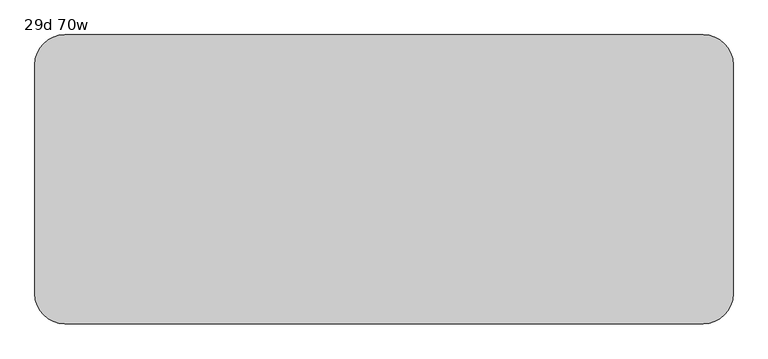
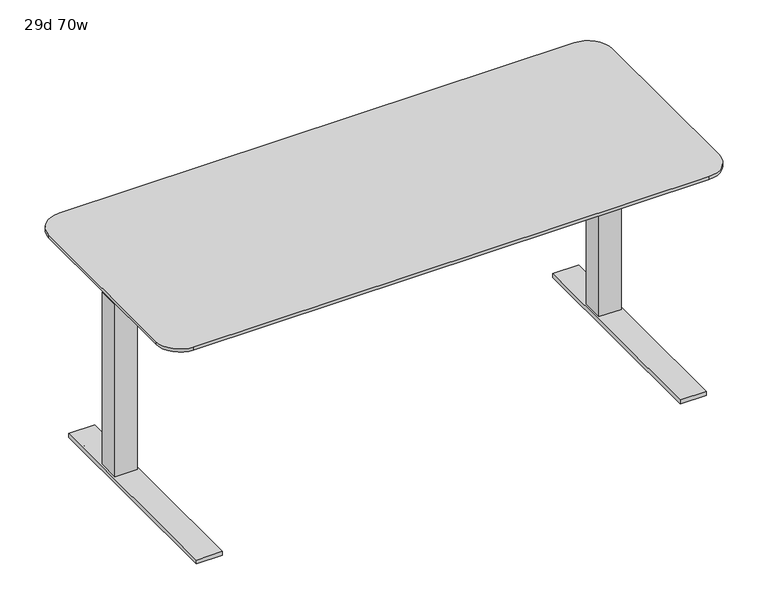
"""IFC4 building model written with IfcOpenShell, lengths in millimetres: furniture geometry, 29d 70w."""

from ifc_helpers import new_model, si_unit, point, frame, frame_2d, origin, origin_with_axes, place, context, project, spatial, polyline, circle_curve, trimmed, segment, composite_curve, outline, extrude, faceted_brep, source, transform, mapped, element, save
from ifc_brep_helpers import plane_surface, cylinder_surface, revolved_surface, advanced_brep


def furniture_29d_70w_a70380cd(model_context):
    return source(origin(), model_context, "Body", "SolidModel", [
        advanced_brep(
        [(-368.3, -529.9534766, 736.6), (1257.3, -529.9534766, 736.6), (1333.5, -453.7534766, 736.6), (1333.5, 130.4465234, 736.6), (1257.3, 206.6465234, 736.6), (-368.3, 206.6465234, 736.6), (-444.5, 130.4465234, 736.6), (-444.5, -453.7534766, 736.6), (1257.3, -479.1534766, 706.4375), (-368.3, -479.1534766, 706.4375), (-393.7, -453.7534766, 706.4375), (-393.7, 130.4465234, 706.4375), (-368.3, 155.8465234, 706.4375), (1257.3, 155.8465234, 706.4375), (1282.7, 130.4465234, 706.4375), (1282.7, -453.7534766, 706.4375), (-368.3, -529.9534766, 727.075), (1257.3, -529.9534766, 727.075), (1333.5, -453.7534766, 727.075), (1333.5, 130.4465234, 727.075), (1257.3, 206.6465234, 727.075), (-368.3, 206.6465234, 727.075), (-444.5, 130.4465234, 727.075), (-444.5, -453.7534766, 727.075)],
        [
            (0, 1),
            (1, 2, circle_curve(frame((1257.3, -453.7534766, 736.6), z_axis=(0.0, 0.0, 1.0), x_axis=(1.0, 0.0, 0.0)), 76.2)),
            (2, 3),
            (3, 4, circle_curve(frame((1257.3, 130.4465234, 736.6), z_axis=(0.0, 0.0, 1.0), x_axis=(1.0, 0.0, 0.0)), 76.2)),
            (4, 5),
            (5, 6, circle_curve(frame((-368.3, 130.4465234, 736.6), z_axis=(0.0, 0.0, 1.0), x_axis=(1.0, 0.0, 0.0)), 76.2)),
            (6, 7),
            (7, 0, circle_curve(frame((-368.3, -453.7534766, 736.6), z_axis=(0.0, 0.0, 1.0), x_axis=(1.0, 0.0, 0.0)), 76.2)),
            (8, 9),
            (9, 10, circle_curve(frame((-368.3, -453.7534766, 706.4375), z_axis=(0.0, 0.0, -1.0), x_axis=(-1.0, 0.0, 0.0)), 25.4)),
            (10, 11),
            (11, 12, circle_curve(frame((-368.3, 130.4465234, 706.4375), z_axis=(0.0, 0.0, -1.0), x_axis=(0.0, 1.0, 0.0)), 25.4)),
            (12, 13),
            (13, 14, circle_curve(frame((1257.3, 130.4465234, 706.4375), z_axis=(0.0, 0.0, -1.0), x_axis=(1.0, 0.0, 0.0)), 25.4)),
            (14, 15),
            (15, 8, circle_curve(frame((1257.3, -453.7534766, 706.4375), z_axis=(0.0, 0.0, -1.0), x_axis=(0.0, -1.0, 0.0)), 25.4)),
            (0, 16),
            (16, 17),
            (17, 1),
            (2, 18),
            (18, 19),
            (19, 3),
            (17, 18, circle_curve(frame((1257.3, -453.7534766, 727.075), z_axis=(0.0, 0.0, 1.0), x_axis=(1.0, 0.0, 0.0)), 76.2)),
            (4, 20),
            (20, 21),
            (21, 5),
            (8, 17),
            (16, 9),
            (15, 18),
            (14, 19),
            (13, 20),
            (20, 19, circle_curve(frame((1257.3, 130.4465234, 727.075), z_axis=(0.0, 0.0, -1.0), x_axis=(1.0, 0.0, 0.0)), 76.2)),
            (12, 21),
            (6, 22),
            (22, 23),
            (23, 7),
            (21, 22, circle_curve(frame((-368.3, 130.4465234, 727.075), z_axis=(0.0, 0.0, 1.0), x_axis=(1.0, 0.0, 0.0)), 76.2)),
            (23, 16, circle_curve(frame((-368.3, -453.7534766, 727.075), z_axis=(0.0, 0.0, 1.0), x_axis=(1.0, 0.0, 0.0)), 76.2)),
            (11, 22),
            (10, 23),
        ],
        [
            plane_surface(frame((1257.3, -529.9534766, 736.6), z_axis=(0.0, 0.0, 1.0), x_axis=(1.0, 0.0, 0.0))),
            plane_surface(frame((1257.3, -529.9534766, 706.4375), z_axis=(0.0, 0.0, -1.0), x_axis=(-1.0, 0.0, 0.0))),
            plane_surface(frame((-368.3, -529.9534766, 736.6), z_axis=(0.0, -1.0, 0.0), x_axis=(0.0, 0.0, -1.0))),
            plane_surface(frame((1333.5, -453.7534766, 736.6), z_axis=(1.0, 0.0, 0.0), x_axis=(0.0, 0.0, -1.0))),
            cylinder_surface(frame((1257.3, -453.7534766, 706.4375), z_axis=(0.0, 0.0, 1.0), x_axis=(1.0, 0.0, 0.0)), 76.2),
            plane_surface(frame((1257.3, 206.6465234, 736.6), z_axis=(0.0, 1.0, 0.0), x_axis=(0.0, 0.0, -1.0))),
            plane_surface(frame((-368.3, -529.9534766, 727.075), z_axis=(0.0, -0.3763770469570871, -0.9264665771218423), x_axis=(1.0, 0.0, 0.0))),
            revolved_surface(polyline([(1257.3, -479.1534766, 706.4375), (1257.3, -529.9534766, 727.075)]), (1257.3, -453.7534766, 706.4375), (0.0, 0.0, 1.0)),
            plane_surface(frame((1333.5, -453.7534766, 727.075), z_axis=(0.3763770469570871, 0.0, -0.9264665771218423), x_axis=(0.0, 1.0, 0.0))),
            revolved_surface(polyline([(1282.7, 130.4465234, 706.4375), (1333.5, 130.4465234, 727.075)]), (1257.3, 130.4465234, 706.4375), (0.0, 0.0, 1.0)),
            plane_surface(frame((1257.3, 206.6465234, 727.075), z_axis=(0.0, 0.3763770469570871, -0.9264665771218423), x_axis=(-1.0, 0.0, 0.0))),
            cylinder_surface(frame((1257.3, 130.4465234, 706.4375), z_axis=(0.0, 0.0, 1.0), x_axis=(1.0, 0.0, 0.0)), 76.2),
            plane_surface(frame((-444.5, 130.4465234, 736.6), z_axis=(-1.0, 0.0, 0.0), x_axis=(0.0, 0.0, -1.0))),
            cylinder_surface(frame((-368.3, 130.4465234, 706.4375), z_axis=(0.0, 0.0, 1.0), x_axis=(1.0, 0.0, 0.0)), 76.2),
            cylinder_surface(frame((-368.3, -453.7534766, 706.4375), z_axis=(0.0, 0.0, 1.0), x_axis=(1.0, 0.0, 0.0)), 76.2),
            revolved_surface(polyline([(-368.3, 155.8465234, 706.4375), (-368.3, 206.6465234, 727.075)]), (-368.3, 130.4465234, 706.4375), (0.0, 0.0, 1.0)),
            plane_surface(frame((-444.5, 130.4465234, 727.075), z_axis=(-0.3763770469570871, 0.0, -0.9264665771218423), x_axis=(0.0, -1.0, 0.0))),
            revolved_surface(polyline([(-393.7, -453.7534766, 706.4375), (-444.5, -453.7534766, 727.075)]), (-368.3, -453.7534766, 706.4375), (0.0, 0.0, 1.0)),
        ],
        [
            (0, [[1, 2, 3, 4, 5, 6, 7, 8]]),
            (1, [[9, 10, 11, 12, 13, 14, 15, 16]]),
            (2, [[-1, 17, 18, 19]]),
            (3, [[-3, 20, 21, 22]]),
            (4, [[-2, -19, 23, -20]]),
            (5, [[-5, 24, 25, 26]]),
            (6, [[27, -18, 28, -9]]),
            (7, [[-27, -16, 29, -23]]),
            (8, [[-29, -15, 30, -21]]),
            (9, [[-30, -14, 31, 32]]),
            (10, [[-31, -13, 33, -25]]),
            (11, [[-4, -22, -32, -24]]),
            (12, [[-7, 34, 35, 36]]),
            (13, [[-6, -26, 37, -34]]),
            (14, [[-8, -36, 38, -17]]),
            (15, [[-33, -12, 39, -37]]),
            (16, [[-39, -11, 40, -35]]),
            (17, [[-28, -38, -40, -10]]),
        ],
    ),
        extrude(outline(composite_curve([segment(trimmed(circle_curve(frame_2d((1208.0875, 98.6965234)), 28.5342152), [point((1236.6217152, 98.6965234))], [point((1179.5532848, 98.6965234))], False, "CARTESIAN"), True, "CONTINUOUS"), segment(trimmed(circle_curve(frame_2d((1208.0875, 98.6965234)), 28.5342152), [point((1179.5532848, 98.6965234))], [point((1236.6217152, 98.6965234))], False, "CARTESIAN"), True, "CONTINUOUS")], self_intersect=False)), origin_with_axes(), (0.0, 0.0, 1.0), 9.525),
        extrude(outline(composite_curve([segment(trimmed(circle_curve(frame_2d((1208.0875, -423.5909766)), 28.6553383), [point((1236.7428383, -423.5909766))], [point((1179.4321617, -423.5909766))], False, "CARTESIAN"), True, "CONTINUOUS"), segment(trimmed(circle_curve(frame_2d((1208.0875, -423.5909766)), 28.6553383), [point((1179.4321617, -423.5909766))], [point((1236.7428383, -423.5909766))], False, "CARTESIAN"), True, "CONTINUOUS")], self_intersect=False)), origin_with_axes(), (0.0, 0.0, 1.0), 9.525),
        extrude(outline(polyline([(1177.925, -9.2534766), (1238.25, -9.2534766), (1238.25, -69.5784766), (1177.925, -69.5784766), (1177.925, -9.2534766)])), frame((0.0, 0.0, 596.9), z_axis=(0.0, 0.0, 1.0), x_axis=(1.0, 0.0, 0.0)), (0.0, 0.0, 1.0), 109.5375),
        faceted_brep([(1166.8125, 166.9590234, 9.525), (1166.8125, -529.9534766, 9.525), (1166.8125, -529.9534766, 22.225), (1166.8125, 166.9590234, 22.225), (1249.3625, 166.9590234, 9.525), (1249.3625, 166.9590234, 22.225), (1249.3625, -529.9534766, 22.225), (1249.3625, -529.9534766, 9.525), (1173.1625, -4.4909766, 596.9), (1173.1625, -74.3409766, 596.9), (1243.0125, -74.3409766, 596.9), (1243.0125, -4.4909766, 596.9), (1243.0125, -4.4909766, 22.225), (1173.1625, -4.4909766, 22.225), (1243.0125, -74.3409766, 22.225), (1173.1625, -74.3409766, 22.225)], [[[0, 1, 2, 3]], [[4, 5, 6, 7]], [[0, 4, 7, 1]], [[8, 9, 10, 11]], [[11, 12, 13, 8]], [[10, 14, 12, 11]], [[9, 15, 14, 10]], [[8, 13, 15, 9]], [[3, 5, 4, 0]], [[2, 6, 5, 3], [12, 14, 15, 13]], [[1, 7, 6, 2]]]),
        extrude(outline(polyline([(122.5090234, 706.4375), (122.5090234, 697.1238172), (-19.4652187, 639.7625), (-134.112735, 639.7625), (-436.2909766, 698.5), (-436.2909766, 706.4375), (122.5090234, 706.4375)])), frame((1243.0125, 0.0, 0.0), z_axis=(1.0, 0.0, 0.0), x_axis=(0.0, 1.0, 0.0)), (0.0, 0.0, 1.0), 3.175),
        extrude(outline(composite_curve([segment(trimmed(circle_curve(frame_2d((-319.0875, 98.6965234)), 28.5342152), [point((-347.6217152, 98.6965234))], [point((-290.5532848, 98.6965234))], False, "CARTESIAN"), True, "CONTINUOUS"), segment(trimmed(circle_curve(frame_2d((-319.0875, 98.6965234)), 28.5342152), [point((-290.5532848, 98.6965234))], [point((-347.6217152, 98.6965234))], False, "CARTESIAN"), True, "CONTINUOUS")], self_intersect=False)), origin_with_axes(), (0.0, 0.0, 1.0), 9.525),
        extrude(outline(composite_curve([segment(trimmed(circle_curve(frame_2d((-319.0875, -423.5909766)), 28.6553383), [point((-347.7428383, -423.5909766))], [point((-290.4321617, -423.5909766))], False, "CARTESIAN"), True, "CONTINUOUS"), segment(trimmed(circle_curve(frame_2d((-319.0875, -423.5909766)), 28.6553383), [point((-290.4321617, -423.5909766))], [point((-347.7428383, -423.5909766))], False, "CARTESIAN"), True, "CONTINUOUS")], self_intersect=False)), origin_with_axes(), (0.0, 0.0, 1.0), 9.525),
        extrude(outline(polyline([(-288.925, -9.2534766), (-288.925, -69.5784766), (-349.25, -69.5784766), (-349.25, -9.2534766), (-288.925, -9.2534766)])), frame((0.0, 0.0, 596.9), z_axis=(0.0, 0.0, 1.0), x_axis=(1.0, 0.0, 0.0)), (0.0, 0.0, 1.0), 109.5375),
        faceted_brep([(-277.8125, 166.9590234, 9.525), (-277.8125, 166.9590234, 22.225), (-277.8125, -529.9534766, 22.225), (-277.8125, -529.9534766, 9.525), (-360.3625, 166.9590234, 9.525), (-360.3625, -529.9534766, 9.525), (-360.3625, -529.9534766, 22.225), (-360.3625, 166.9590234, 22.225), (-284.1625, -4.4909766, 596.9), (-354.0125, -4.4909766, 596.9), (-354.0125, -74.3409766, 596.9), (-284.1625, -74.3409766, 596.9), (-284.1625, -4.4909766, 22.225), (-354.0125, -4.4909766, 22.225), (-354.0125, -74.3409766, 22.225), (-284.1625, -74.3409766, 22.225)], [[[0, 1, 2, 3]], [[4, 5, 6, 7]], [[0, 3, 5, 4]], [[8, 9, 10, 11]], [[9, 8, 12, 13]], [[10, 9, 13, 14]], [[11, 10, 14, 15]], [[8, 11, 15, 12]], [[1, 0, 4, 7]], [[2, 1, 7, 6], [13, 12, 15, 14]], [[3, 2, 6, 5]]]),
        extrude(outline(polyline([(122.5090234, 706.4375), (122.5090234, 697.1238172), (-19.4652187, 639.7625), (-134.112735, 639.7625), (-436.2909766, 698.5), (-436.2909766, 706.4375), (122.5090234, 706.4375)])), frame((-357.1875, 0.0, 0.0), z_axis=(1.0, 0.0, 0.0), x_axis=(0.0, 1.0, 0.0)), (0.0, 0.0, 1.0), 3.175),
        extrude(outline(polyline([(25.4585171, 649.8500141), (-89.8230727, 649.8500141), (-89.8230727, 697.9814512), (-109.5630742, 697.9814512), (-109.5630742, 689.8499708), (-112.1930735, 689.8499708), (-112.1930735, 700.6603575), (47.8331325, 700.6603575), (47.8331325, 689.8499708), (45.2031332, 689.8499708), (45.2031332, 697.9814512), (25.4585171, 697.9814512), (25.4585171, 649.8500141)])), frame((-284.1625, 0.0, 0.0), z_axis=(1.0, 0.0, 0.0), x_axis=(0.0, 1.0, 0.0)), (0.0, 0.0, 1.0), 1457.325),
    ])


if __name__ == "__main__":
    model = new_model("IFC4")
    model_context = context("Model", 3, world=origin())
    ifc_project = project(units=[si_unit("LENGTHUNIT", "METRE", prefix="MILLI")], contexts=[model_context])
    site = spatial("IfcSite", under=ifc_project)
    building = spatial("IfcBuilding", under=site)
    placement = place(None, origin())
    furniture_29d_70w_shape = furniture_29d_70w_a70380cd(model_context)
    element("IfcFurniture", 1, ObjectType="29d 70w", at=placement, inside=building, context=model_context, shape_type="MappedRepresentation", body=[
        mapped(furniture_29d_70w_shape, transform((0.0, 0.0, 0.0), x_axis=(1.0, 0.0, 0.0), y_axis=(0.0, 1.0, 0.0), z_axis=(0.0, 0.0, 1.0))),
    ])
    save(model, "model.ifc")
